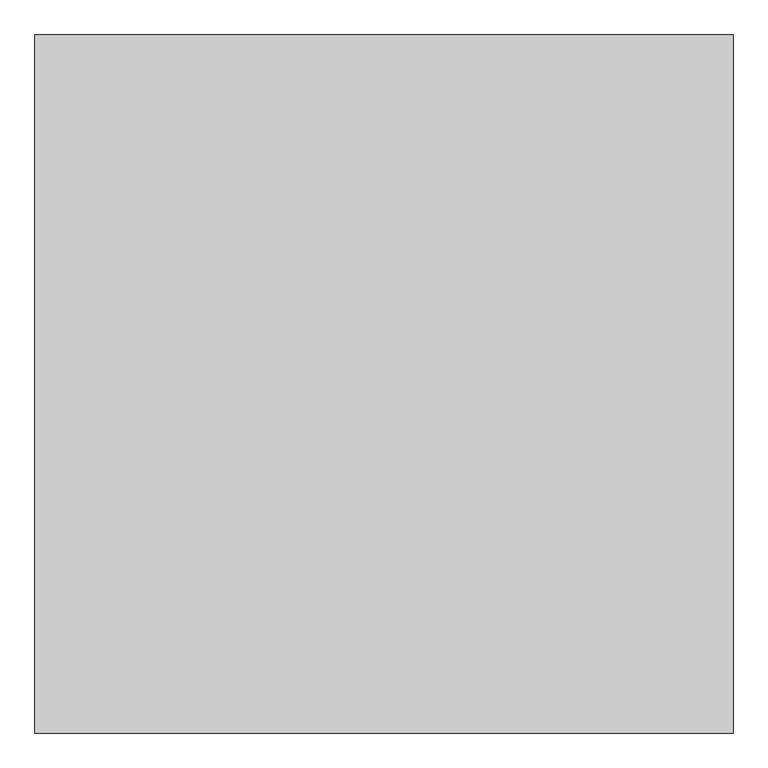
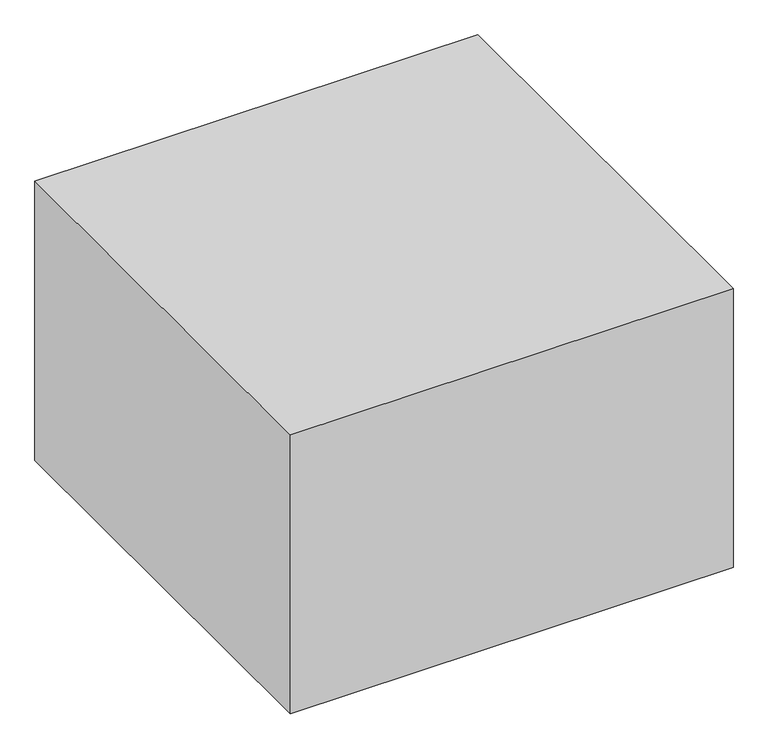
"""IFC4 building model written with IfcOpenShell, lengths in millimetres: furniture geometry."""

from ifc_helpers import new_model, si_unit, origin, place, context, project, spatial, faceted_brep, source, transform, mapped, element, save


def furniture_21bb904b(model_context):
    return source(origin(), model_context, "Body", "Brep", [
        faceted_brep([(600.0, 600.0, 800.0), (-600.0, 600.0, 800.0), (-600.0, -600.0, 800.0), (600.0, -600.0, 800.0), (600.0, 600.0, 0.0), (600.0, -600.0, 0.0), (-600.0, -600.0, 0.0), (-600.0, 600.0, 0.0), (-500.0, 600.0, 0.0), (-500.0, -500.0, 0.0), (500.0, -500.0, 0.0), (500.0, 600.0, 0.0), (500.0, 600.0, 700.0), (-500.0, 600.0, 700.0), (500.0, -500.0, 700.0), (-500.0, -500.0, 700.0)], [[[0, 1, 2, 3]], [[4, 5, 6, 7, 8, 9, 10, 11]], [[1, 0, 4, 11, 12, 13, 8, 7]], [[2, 1, 7, 6]], [[3, 2, 6, 5]], [[0, 3, 5, 4]], [[14, 15, 13, 12]], [[15, 9, 8, 13]], [[15, 14, 10, 9]], [[10, 14, 12, 11]]]),
    ])


if __name__ == "__main__":
    model = new_model("IFC4")
    model_context = context("Model", 3, world=origin())
    ifc_project = project(units=[si_unit("LENGTHUNIT", "METRE", prefix="MILLI")], contexts=[model_context])
    site = spatial("IfcSite", under=ifc_project)
    building = spatial("IfcBuilding", under=site)
    placement = place(None, origin())
    furniture_shape = furniture_21bb904b(model_context)
    element("IfcFurniture", 1, at=placement, inside=building, context=model_context, shape_type="MappedRepresentation", body=[
        mapped(furniture_shape, transform((0.0, 0.0, 0.0), x_axis=(1.0, 0.0, 0.0), y_axis=(0.0, 1.0, 0.0), z_axis=(0.0, 0.0, 1.0))),
    ])
    save(model, "model.ifc")
